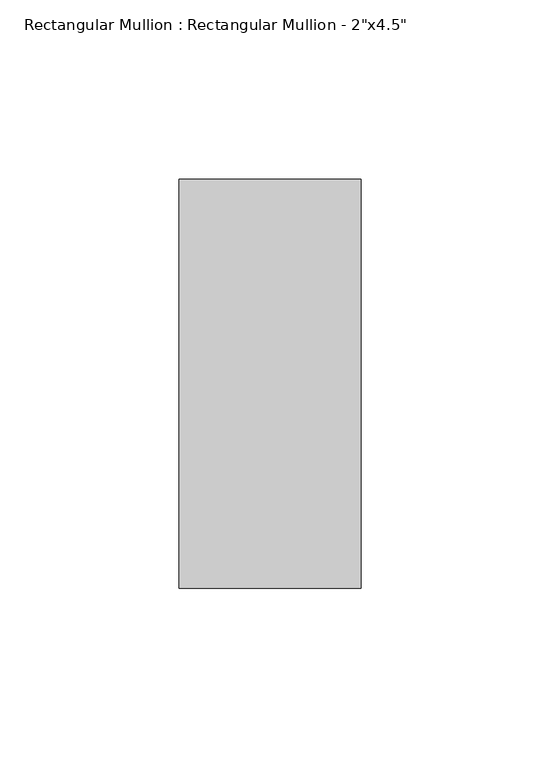
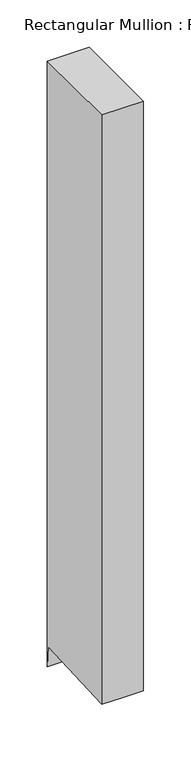
"""IFC4 building model written with IfcOpenShell, lengths in millimetres: member geometry."""

import ifcopenshell
import ifcopenshell.guid

model = None  # the IFC model being written
_history = None  # IfcOwnerHistory: only IFC2X3 demands one
_inside = {}  # id of a spatial element -> (the spatial element, [elements in it])
_under = {}  # id of a project, library or spatial element -> (it, [spatial elements below it])
_declared = {}  # id of a project -> (the project, [libraries it declares])
_typed = {}  # id of a type object -> (the type object, [elements of that type])
_made_of = {}  # id of a material, layer set ... -> (it, [elements and type objects made of it])


def new_model(schema):
    """Start an empty IFC model of exactly this schema.

    Asked for "IFC4X3", IfcOpenShell would pick the latest addendum, in which some entities
    have other attributes; the version numbers below select the first issue.
    IFC2X3 requires an IfcOwnerHistory on every rooted entity: one is made here for all.
    """
    global model, _history
    if schema == "IFC4X3":
        model = ifcopenshell.file(schema_version=(4, 3, 0, 0))
    else:
        model = ifcopenshell.file(schema=schema)
    _inside.clear()
    _under.clear()
    _declared.clear()
    _typed.clear()
    _made_of.clear()
    _history = None
    if model.schema == "IFC2X3":
        org = make("IfcOrganization", Name="unknown")
        user = make(
            "IfcPersonAndOrganization",
            ThePerson=make("IfcPerson", FamilyName="unknown"),
            TheOrganization=org,
        )
        app = make(
            "IfcApplication",
            ApplicationDeveloper=org,
            Version="unknown",
            ApplicationFullName="unknown",
            ApplicationIdentifier="unknown",
        )
        _history = make(
            "IfcOwnerHistory",
            OwningUser=user,
            OwningApplication=app,
            ChangeAction="ADDED",
            CreationDate=0,
        )
    return model


def make(cls, **values):
    """One entity of the class cls with the attributes given. An attribute that is None is left unset."""
    return model.create_entity(
        cls, **{name: value for name, value in values.items() if value is not None}
    )


def rooted(cls, **values):
    """An entity with a GlobalId (a new one), such as an element, a storey or a relation."""
    return make(cls, GlobalId=ifcopenshell.guid.new(), OwnerHistory=_history, **values)


def si_unit(unit_type, name, prefix=None):
    """IfcSIUnit, for example si_unit("LENGTHUNIT", "METRE", prefix="MILLI")."""
    return make("IfcSIUnit", UnitType=unit_type, Prefix=prefix, Name=name)


def assignment(units):
    """IfcUnitAssignment: the units of a project."""
    return None if units is None else make("IfcUnitAssignment", Units=units)


def point(xyz):
    """IfcCartesianPoint."""
    return None if xyz is None else make("IfcCartesianPoint", Coordinates=xyz)


def direction(xyz):
    """IfcDirection."""
    return None if xyz is None else make("IfcDirection", DirectionRatios=xyz)


def frame(location, z_axis=None, x_axis=None):
    """IfcAxis2Placement3D, a coordinate frame: its origin and axes. An axis left out is left unset."""
    return make(
        "IfcAxis2Placement3D",
        Location=point(location),
        Axis=direction(z_axis),
        RefDirection=direction(x_axis),
    )


def origin():
    """The frame at (0, 0, 0) with its axes left unset."""
    return frame((0.0, 0.0, 0.0))


def place(relative_to, where):
    """IfcLocalPlacement: puts the frame where relative to a parent placement (None: the world)."""
    return make(
        "IfcLocalPlacement", PlacementRelTo=relative_to, RelativePlacement=where
    )


def context(
    kind, dimensions, precision=None, world=None, true_north=None, identifier=None
):
    """IfcGeometricRepresentationContext, for example the 3D "Model" context."""
    return make(
        "IfcGeometricRepresentationContext",
        ContextIdentifier=identifier,
        ContextType=kind,
        CoordinateSpaceDimension=dimensions,
        Precision=precision,
        WorldCoordinateSystem=world,
        TrueNorth=true_north,
    )


def project(units=None, contexts=None):
    """IfcProject with its units and contexts."""
    return rooted(
        "IfcProject",
        Name="project",
        RepresentationContexts=contexts,
        UnitsInContext=assignment(units),
    )


def spatial(cls, under=None, at=None, **own):
    """A site, building, storey or space (cls), placed at a placement, below another one or the project."""
    s = rooted(cls, ObjectPlacement=at, **own)
    if under is not None:
        _under.setdefault(under.id(), (under, []))[1].append(s)
    return s


def faces_of(points, faces, orient=None, outer=None):
    """IfcFace entities. A face is a list of loops; a loop is a list of indices into points, from 0.

    orient and outer hold one flag for each loop. By default every Orientation is true, the
    first loop of a face is its IfcFaceOuterBound and the others are IfcFaceBound.
    """
    made = []
    for i, loops in enumerate(faces):
        bounds = []
        for j, loop in enumerate(loops):
            is_outer = j == 0 if outer is None else outer[i][j]
            bounds.append(
                make(
                    "IfcFaceOuterBound" if is_outer else "IfcFaceBound",
                    Bound=make("IfcPolyLoop", Polygon=[points[k] for k in loop]),
                    Orientation=True if orient is None else orient[i][j],
                )
            )
        made.append(make("IfcFace", Bounds=bounds))
    return made


def faceted_brep(points, faces, orient=None, outer=None, voids=None):
    """IfcFacetedBrep: a solid bounded by flat faces; with voids (closed shells), ...WithVoids."""
    shared = [point(p) for p in points]
    hull = make("IfcClosedShell", CfsFaces=faces_of(shared, faces, orient, outer))
    if voids is None:
        return make("IfcFacetedBrep", Outer=hull)
    return make(
        "IfcFacetedBrepWithVoids",
        Outer=hull,
        Voids=[
            make(cls, CfsFaces=faces_of(shared, fs, o, b)) for cls, fs, o, b in voids
        ],
    )


def shape(context_of_items, identifier, shape_type, items):
    """IfcShapeRepresentation: the items that make up one representation, for example the "Body"."""
    return make(
        "IfcShapeRepresentation",
        ContextOfItems=context_of_items,
        RepresentationIdentifier=identifier,
        RepresentationType=shape_type,
        Items=items,
    )


def source(mapping_origin, context_of_items, identifier, shape_type, items):
    """IfcRepresentationMap: a shape defined once, which mapped items show again and again."""
    return make(
        "IfcRepresentationMap",
        MappingOrigin=mapping_origin,
        MappedRepresentation=shape(context_of_items, identifier, shape_type, items),
    )


def transform(
    local_origin,
    x_axis=None,
    y_axis=None,
    z_axis=None,
    scale=None,
    scale2=None,
    scale3=None,
    uniform=True,
):
    """IfcCartesianTransformationOperator3D, or its non-uniform kind. x_axis, y_axis, z_axis: its Axis1, 2, 3."""
    if uniform:
        return make(
            "IfcCartesianTransformationOperator3D",
            Axis1=direction(x_axis),
            Axis2=direction(y_axis),
            LocalOrigin=point(local_origin),
            Scale=scale,
            Axis3=direction(z_axis),
        )
    return make(
        "IfcCartesianTransformationOperator3DnonUniform",
        Axis1=direction(x_axis),
        Axis2=direction(y_axis),
        LocalOrigin=point(local_origin),
        Scale=scale,
        Axis3=direction(z_axis),
        Scale2=scale2,
        Scale3=scale3,
    )


def mapped(mapping_source, mapping_target):
    """IfcMappedItem: shows the shape of a source again, moved by a transform."""
    return make(
        "IfcMappedItem", MappingSource=mapping_source, MappingTarget=mapping_target
    )


def made_of(thing, what):
    """Note that an element or type object is made of a material, layer set ...; save() writes the relation."""
    if what is not None:
        _made_of.setdefault(what.id(), (what, []))[1].append(thing)
    return thing


def element(
    cls,
    number,
    at=None,
    inside=None,
    cuts=None,
    type_object=None,
    material=None,
    context=None,
    identifier="Body",
    shape_type=None,
    held_by="IfcProductDefinitionShape",
    body=None,
    shapes=None,
    **own,
):
    """One element of the class cls, such as IfcWall. Its Tag is "e" and its number.

    at: its placement. inside: the storey or other place that contains it. cuts: it is an
    opening in that element (IfcRelVoidsElement). A single representation is given by context,
    identifier, shape_type and body (its items); several are given by shapes. held_by: the class
    of the entity that holds the representations. save() writes the other relations.
    """
    e = rooted(cls, Tag="e%d" % number, ObjectPlacement=at, **own)
    if body is not None:
        shapes = [shape(context, identifier, shape_type, body)]
    if shapes is not None:
        e.Representation = make(held_by, Representations=shapes)
    if inside is not None:
        _inside.setdefault(inside.id(), (inside, []))[1].append(e)
    if cuts is not None:
        rooted(
            "IfcRelVoidsElement", RelatingBuildingElement=cuts, RelatedOpeningElement=e
        )
    if type_object is not None:
        _typed.setdefault(type_object.id(), (type_object, []))[1].append(e)
    return made_of(e, material)


def aggregate(whole, parts):
    """IfcRelAggregates: a whole, such as a stair, and the parts it consists of."""
    return rooted("IfcRelAggregates", RelatingObject=whole, RelatedObjects=parts)


def save(model, path):
    """Write the relations noted so far, then the file.

    IfcRelAggregates (storeys below a building ...), IfcRelContainedInSpatialStructure (elements
    in a storey), IfcRelDefinesByType, IfcRelAssociatesMaterial and IfcRelDeclares: one each for
    every whole, place, type object, material and project.
    """
    for whole, parts in _under.values():
        aggregate(whole, parts)
    for where, things in _inside.values():
        rooted(
            "IfcRelContainedInSpatialStructure",
            RelatedElements=things,
            RelatingStructure=where,
        )
    for kind, things in _typed.values():
        rooted("IfcRelDefinesByType", RelatedObjects=things, RelatingType=kind)
    for what, things in _made_of.values():
        rooted("IfcRelAssociatesMaterial", RelatedObjects=things, RelatingMaterial=what)
    for by, libraries in _declared.values():
        rooted("IfcRelDeclares", RelatingContext=by, RelatedDefinitions=libraries)
    model.write(path)


def member_afa920e4(model_context):
    return source(origin(), model_context, "Body", "Brep", [
        faceted_brep([(25.4, 57.15, 0.0), (-25.4, 57.15, 0.0), (-25.4, -57.15, 0.0), (25.4, -57.15, 0.0), (25.4, 57.15, -780.2461581), (0.0, 57.15, -780.2461581), (-25.4, 57.15, -780.2461581), (-25.4, 55.7174627, -753.3627036), (-25.4, -57.15, -759.3770666), (0.0, -57.15, -759.3770666), (25.4, -57.15, -759.3770666), (25.4, 55.7174627, -753.3627036), (0.0, 55.7174627, -753.3627036)], [[[0, 1, 2, 3]], [[1, 0, 4, 5, 6]], [[2, 1, 6, 7, 8]], [[3, 2, 8, 9, 10]], [[0, 3, 10, 11, 4]], [[4, 11, 12, 5]], [[11, 10, 9, 12]], [[9, 8, 7, 12]], [[7, 6, 5, 12]]]),
    ])


if __name__ == "__main__":
    model = new_model("IFC4")
    model_context = context("Model", 3, world=origin())
    ifc_project = project(units=[si_unit("LENGTHUNIT", "METRE", prefix="MILLI")], contexts=[model_context])
    site = spatial("IfcSite", under=ifc_project)
    building = spatial("IfcBuilding", under=site)
    placement = place(None, origin())
    member_shape = member_afa920e4(model_context)
    element("IfcMember", 1, ObjectType="Rectangular Mullion : Rectangular Mullion - 2\"x4.5\"", at=placement, inside=building, context=model_context, shape_type="MappedRepresentation", body=[
        mapped(member_shape, transform((0.0, 0.0, 0.0), x_axis=(1.0, 0.0, 0.0), y_axis=(0.0, 1.0, 0.0), z_axis=(0.0, 0.0, 1.0))),
    ])
    save(model, "model.ifc")
